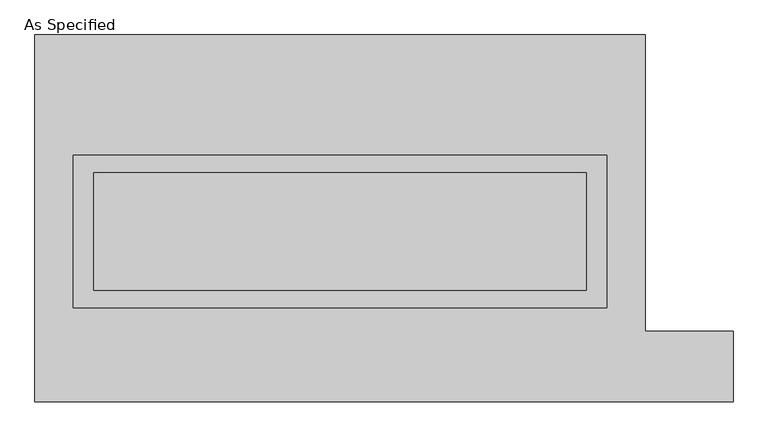
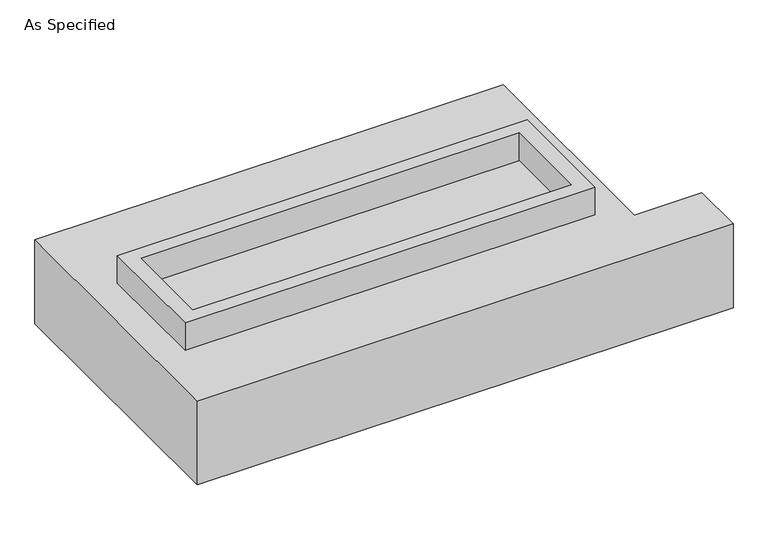
"""IFC4 building model written with IfcOpenShell, lengths in millimetres: proxy geometry, As Specified."""

from ifc_helpers import new_model, si_unit, frame, origin, place, context, project, spatial, polyline, outline, extrude, source, transform, mapped, element, save


def as_specified_7bca0857(model_context):
    return source(origin(), model_context, "Body", "SweptSolid", [
        extrude(outline(polyline([(1155.7, 273.05), (1155.7, -387.35), (-1155.7, -387.35), (-1155.7, 273.05), (1155.7, 273.05)]), holes=[polyline([(1066.8, 196.85), (-1066.8, 196.85), (-1066.8, -311.15), (1066.8, -311.15), (1066.8, 196.85)])]), frame((0.0, 0.0, -688.975), z_axis=(0.0, 0.0, 1.0), x_axis=(1.0, 0.0, 0.0)), (0.0, 0.0, 1.0), 165.1),
        extrude(outline(polyline([(1155.7, 273.05), (1155.7, -387.35), (-1155.7, -387.35), (-1155.7, 273.05), (1155.7, 273.05)]), holes=[polyline([(1066.8, 196.85), (-1066.8, 196.85), (-1066.8, -311.15), (1066.8, -311.15), (1066.8, 196.85)])]), frame((0.0, 0.0, -25.4), z_axis=(0.0, 0.0, 1.0), x_axis=(1.0, 0.0, 0.0)), (0.0, 0.0, 1.0), 165.1),
        extrude(outline(polyline([(1066.8, 196.85), (1066.8, -311.15), (-1066.8, -311.15), (-1066.8, 196.85), (1066.8, 196.85)])), frame((0.0, 0.0, -523.875), z_axis=(0.0, 0.0, 1.0), x_axis=(1.0, 0.0, 0.0)), (0.0, 0.0, 1.0), 4.9609375),
        extrude(outline(polyline([(1066.8, 196.85), (1066.8, -311.15), (-1066.8, -311.15), (-1066.8, 196.85), (1066.8, 196.85)])), frame((0.0, 0.0, -30.3609375), z_axis=(0.0, 0.0, 1.0), x_axis=(1.0, 0.0, 0.0)), (0.0, 0.0, 1.0), 4.9609375),
        extrude(outline(polyline([(-1320.8, 793.75), (1320.8, 793.75), (1320.8, -488.95), (1701.8, -488.95), (1701.8, -793.75), (-1320.8, -793.75), (-1320.8, 793.75)]), holes=[polyline([(-1155.7, 273.05), (-1155.7, -387.35), (1155.7, -387.35), (1155.7, 273.05), (-1155.7, 273.05)])]), frame((0.0, 0.0, -523.875), z_axis=(0.0, 0.0, 1.0), x_axis=(1.0, 0.0, 0.0)), (0.0, 0.0, 1.0), 498.475),
    ])


if __name__ == "__main__":
    model = new_model("IFC4")
    model_context = context("Model", 3, world=origin())
    ifc_project = project(units=[si_unit("LENGTHUNIT", "METRE", prefix="MILLI")], contexts=[model_context])
    site = spatial("IfcSite", under=ifc_project)
    building = spatial("IfcBuilding", under=site)
    placement = place(None, origin())
    as_specified_shape = as_specified_7bca0857(model_context)
    element("IfcBuildingElementProxy", 1, Name="As Specified", ObjectType="As Specified", at=placement, inside=building, context=model_context, shape_type="MappedRepresentation", body=[
        mapped(as_specified_shape, transform((0.0, 0.0, 0.0), x_axis=(1.0, 0.0, 0.0), y_axis=(0.0, 1.0, 0.0), z_axis=(0.0, 0.0, 1.0))),
    ])
    save(model, "model.ifc")
